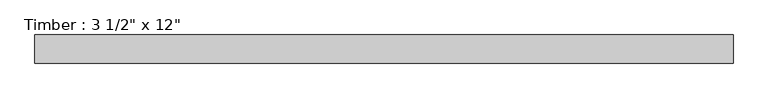
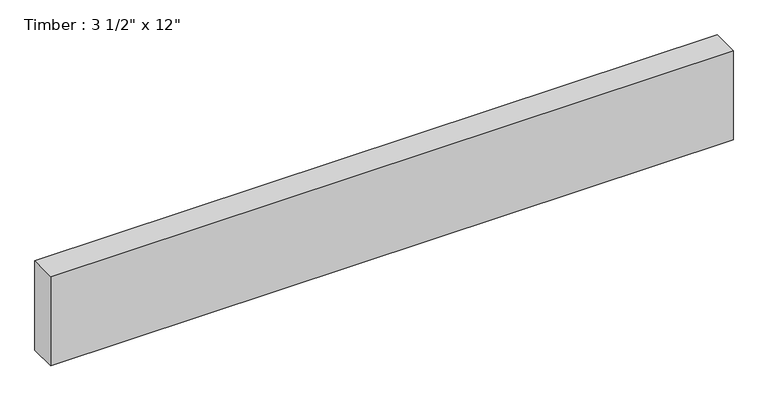
"""IFC4 building model written with IfcOpenShell, lengths in millimetres: beam geometry."""

from ifc_helpers import new_model, si_unit, frame, origin, place, context, project, spatial, polyline, outline, extrude, source, transform, mapped, element, save


def beam_980baadd(model_context):
    return source(origin(), model_context, "Body", "SweptSolid", [
        extrude(outline(polyline([(1102.2390422, 44.45), (1102.2390422, -44.45), (-1102.2390422, -44.45), (-1102.2390422, 44.45), (1102.2390422, 44.45)])), frame((0.0, 0.0, -152.4), z_axis=(0.0, 0.0, 1.0), x_axis=(1.0, 0.0, 0.0)), (0.0, 0.0, 1.0), 304.8),
    ])


if __name__ == "__main__":
    model = new_model("IFC4")
    model_context = context("Model", 3, world=origin())
    ifc_project = project(units=[si_unit("LENGTHUNIT", "METRE", prefix="MILLI")], contexts=[model_context])
    site = spatial("IfcSite", under=ifc_project)
    building = spatial("IfcBuilding", under=site)
    placement = place(None, origin())
    beam_shape = beam_980baadd(model_context)
    element("IfcBeam", 1, ObjectType="Timber : 3 1/2\" x 12\"", at=placement, inside=building, context=model_context, shape_type="MappedRepresentation", body=[
        mapped(beam_shape, transform((0.0, 0.0, 0.0), x_axis=(1.0, 0.0, 0.0), y_axis=(0.0, 1.0, 0.0), z_axis=(0.0, 0.0, 1.0))),
    ])
    save(model, "model.ifc")
